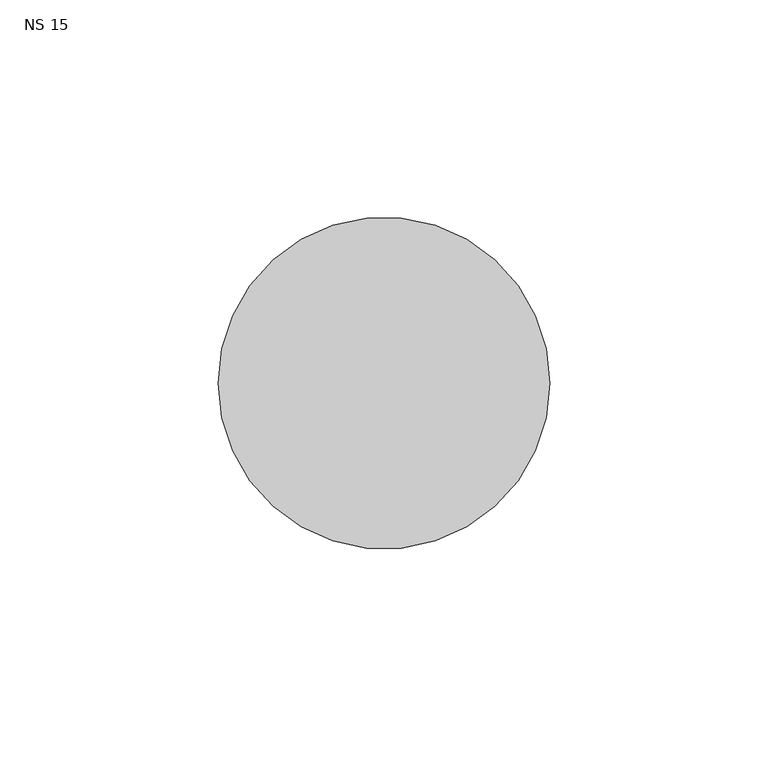
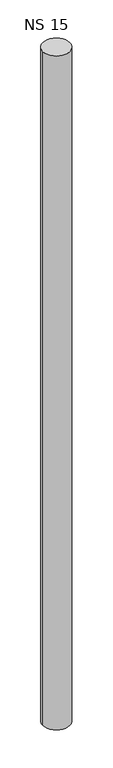
"""IFC4 building model written with IfcOpenShell, lengths in millimetres: unitary equipment geometry, NS 15."""

from ifc_helpers import new_model, si_unit, point, frame, frame_2d, origin, place, context, project, spatial, circle_curve, trimmed, segment, composite_curve, outline, extrude, source, transform, mapped, element, save


def ns_15_4b3e3301(model_context):
    return source(origin(), model_context, "Body", "SweptSolid", [
        extrude(outline(composite_curve([segment(trimmed(circle_curve(frame_2d((830.3, 454.2)), 38.0), [point((792.3, 454.2))], [point((868.3, 454.2))], False, "CARTESIAN"), True, "CONTINUOUS"), segment(trimmed(circle_curve(frame_2d((830.3, 454.2)), 38.0), [point((868.3, 454.2))], [point((792.3, 454.2))], False, "CARTESIAN"), True, "CONTINUOUS")], self_intersect=False)), frame((0.0, 0.0, 135.0), z_axis=(0.0, 0.0, 1.0), x_axis=(1.0, 0.0, 0.0)), (0.0, 0.0, 1.0), 1992.0),
    ])


if __name__ == "__main__":
    model = new_model("IFC4")
    model_context = context("Model", 3, world=origin())
    ifc_project = project(units=[si_unit("LENGTHUNIT", "METRE", prefix="MILLI")], contexts=[model_context])
    site = spatial("IfcSite", under=ifc_project)
    building = spatial("IfcBuilding", under=site)
    placement = place(None, origin())
    ns_15_shape = ns_15_4b3e3301(model_context)
    element("IfcUnitaryEquipment", 1, ObjectType="NS 15", at=placement, inside=building, context=model_context, shape_type="MappedRepresentation", body=[
        mapped(ns_15_shape, transform((0.0, 0.0, 0.0), x_axis=(1.0, 0.0, 0.0), y_axis=(0.0, 1.0, 0.0), z_axis=(0.0, 0.0, 1.0))),
    ])
    save(model, "model.ifc")
